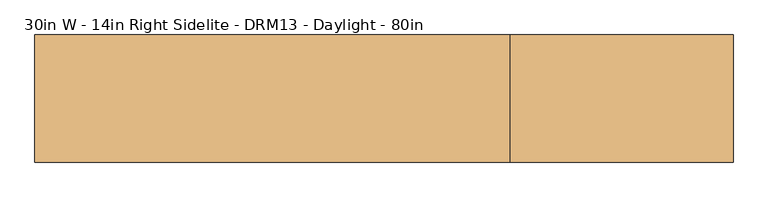
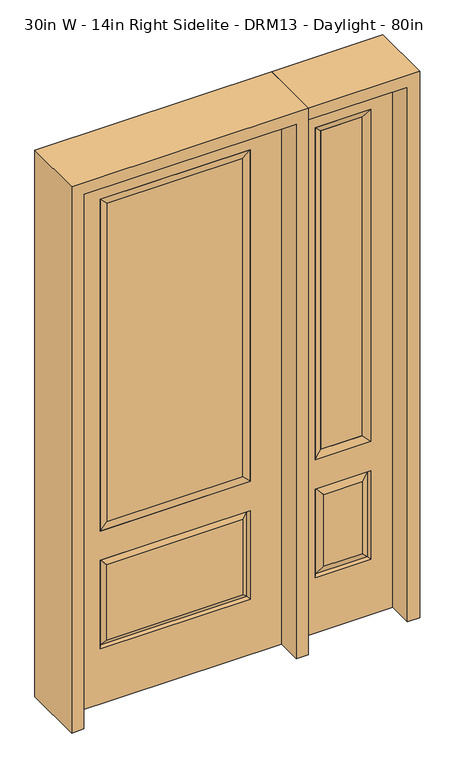
"""IFC4 building model written with IfcOpenShell, lengths in millimetres: door geometry, 30in W - 14in Right Sidelite - DRM13 - Daylight - 80in."""

from ifc_helpers import new_model, si_unit, frame, origin, place, context, project, spatial, polyline, outline, extrude, faceted_brep, source, transform, mapped, element, save


def door_30in_w_14in_right_sidelite_drm13_daylight_80in_cca7b35c(model_context):
    return source(origin(), model_context, "Body", "SolidModel", [
        faceted_brep([(425.45, -22.225, 0.0), (781.05, -22.225, 0.0), (781.05, -22.225, 2032.0), (425.45, -22.225, 2032.0), (703.58, -22.225, 1919.224), (703.58, -22.225, 657.098), (502.92, -22.225, 657.098), (502.92, -22.225, 1919.224), (703.58, -22.225, 209.55), (502.92, -22.225, 209.55), (502.92, -22.225, 546.1), (703.58, -22.225, 546.1), (534.6351001, -22.225, 241.2651001), (671.8648999, -22.225, 241.2651001), (671.8648999, -22.225, 514.3848999), (534.6351001, -22.225, 514.3848999), (425.45, 22.225, 0.0), (425.45, 22.225, 2032.0), (781.05, 22.225, 2032.0), (781.05, 22.225, 0.0), (703.58, 22.225, 1919.224), (502.92, 22.225, 1919.224), (502.92, 22.225, 657.098), (703.58, 22.225, 657.098), (502.92, 22.225, 209.55), (703.58, 22.225, 209.55), (703.58, 22.225, 546.1), (502.92, 22.225, 546.1), (671.8648999, 22.225, 241.2651001), (534.6351001, 22.225, 241.2651001), (534.6351001, 22.225, 514.3848999), (671.8648999, 22.225, 514.3848999), (696.4711499, 12.7912373, 216.6588501), (510.0288501, 12.7912373, 216.6588501), (510.0288501, 12.7912373, 538.9911499), (696.4711499, 12.7912373, 538.9911499), (510.0288501, -12.7912373, 216.6588501), (696.4711499, -12.7912373, 216.6588501), (510.0288501, -12.7912373, 538.9911499), (696.4711499, -12.7912373, 538.9911499)], [[[0, 1, 2, 3], [4, 5, 6, 7], [8, 9, 10, 11]], [[12, 13, 14, 15]], [[16, 17, 18, 19], [20, 21, 22, 23], [24, 25, 26, 27]], [[28, 29, 30, 31]], [[1, 0, 16, 19]], [[2, 1, 19, 18]], [[3, 2, 18, 17]], [[0, 3, 17, 16]], [[5, 4, 20, 23]], [[6, 5, 23, 22]], [[7, 6, 22, 21]], [[4, 7, 21, 20]], [[32, 33, 29, 28]], [[33, 32, 25, 24]], [[29, 33, 34, 30]], [[33, 24, 27, 34]], [[30, 34, 35, 31]], [[34, 27, 26, 35]], [[32, 28, 31, 35]], [[25, 32, 35, 26]], [[12, 36, 37, 13]], [[37, 36, 9, 8]], [[36, 12, 15, 38]], [[9, 36, 38, 10]], [[38, 15, 14, 39]], [[10, 38, 39, 11]], [[13, 37, 39, 14]], [[37, 8, 11, 39]]]),
        faceted_brep([(502.92, 22.225, 1919.224), (502.92, -22.225, 1919.224), (703.58, -22.225, 1919.224), (703.58, 22.225, 1919.224), (528.32, 12.7, 1893.824), (678.18, 12.7, 1893.824), (528.32, -12.7, 1893.824), (678.18, -12.7, 1893.824), (703.58, -22.225, 657.098), (703.58, 22.225, 657.098), (678.18, 12.7, 682.498), (678.18, -12.7, 682.498), (502.92, -22.225, 657.098), (502.92, 22.225, 657.098), (528.32, 12.7, 682.498), (528.32, -12.7, 682.498)], [[[0, 1, 2, 3]], [[4, 0, 3, 5]], [[6, 4, 5, 7]], [[1, 6, 7, 2]], [[3, 2, 8, 9]], [[5, 3, 9, 10]], [[7, 5, 10, 11]], [[2, 7, 11, 8]], [[9, 8, 12, 13]], [[10, 9, 13, 14]], [[11, 10, 14, 15]], [[8, 11, 15, 12]], [[13, 12, 1, 0]], [[14, 13, 0, 4]], [[15, 14, 4, 6]], [[12, 15, 6, 1]]]),
        extrude(outline(polyline([(678.18, -12.7), (528.32, -12.7), (528.32, 12.7), (678.18, 12.7), (678.18, -12.7)])), frame((0.0, 0.0, 682.498), z_axis=(0.0, 0.0, 1.0), x_axis=(1.0, 0.0, 0.0)), (0.0, 0.0, 1.0), 1211.326),
        faceted_brep([(-262.7661499, -12.7912373, 216.6588501), (262.7661499, -12.7912373, 216.6588501), (245.26875, -22.225, 234.15625), (-245.26875, -22.225, 234.15625), (-269.875, -22.225, 209.55), (269.875, -22.225, 209.55), (-262.7661499, -12.7912373, 538.9911499), (-269.875, -22.225, 546.1), (245.26875, -22.225, 521.49375), (-245.26875, -22.225, 521.49375), (381.0, -22.225, 2032.0), (-381.0, -22.225, 2032.0), (-381.0, -22.225, 0.0), (381.0, -22.225, 0.0), (269.875, -22.225, 546.1), (269.875, -22.225, 1917.7), (269.875, -22.225, 657.098), (-269.875, -22.225, 657.098), (-269.875, -22.225, 1917.7), (262.7661499, -12.7912373, 538.9911499), (-381.0, 22.225, 2032.0), (-381.0, 22.225, 0.0), (381.0, 22.225, 0.0), (381.0, 22.225, 2032.0), (269.875, 22.225, 1917.7), (269.875, 22.225, 657.098), (-269.875, 22.225, 657.098), (-269.875, 22.225, 1917.7), (-269.875, 22.225, 209.55), (269.875, 22.225, 209.55), (269.875, 22.225, 546.1), (-269.875, 22.225, 546.1), (245.26875, 22.225, 234.15625), (-245.26875, 22.225, 234.15625), (-245.26875, 22.225, 521.49375), (245.26875, 22.225, 521.49375), (-262.7661499, 12.7912373, 216.6588501), (262.7661499, 12.7912373, 216.6588501), (262.7661499, 12.7912373, 538.9911499), (-262.7661499, 12.7912373, 538.9911499)], [[[0, 1, 2, 3]], [[1, 0, 4, 5]], [[4, 0, 6, 7]], [[3, 2, 8, 9]], [[10, 11, 12, 13], [5, 4, 7, 14], [15, 16, 17, 18]], [[1, 5, 14, 19]], [[2, 1, 19, 8]], [[0, 3, 9, 6]], [[7, 6, 19, 14]], [[6, 9, 8, 19]], [[12, 11, 20, 21]], [[13, 12, 21, 22]], [[10, 13, 22, 23]], [[16, 15, 24, 25]], [[17, 16, 25, 26]], [[18, 17, 26, 27]], [[23, 22, 21, 20], [28, 29, 30, 31], [24, 27, 26, 25]], [[32, 33, 34, 35]], [[28, 36, 37, 29]], [[29, 37, 38, 30]], [[39, 31, 30, 38]], [[36, 28, 31, 39]], [[37, 36, 33, 32]], [[33, 36, 39, 34]], [[34, 39, 38, 35]], [[37, 32, 35, 38]], [[11, 10, 23, 20]], [[15, 18, 27, 24]]]),
        faceted_brep([(-269.875, -22.225, 1917.7), (-269.875, 22.225, 1917.7), (-269.875, 22.225, 657.098), (-269.875, -22.225, 657.098), (269.875, 22.225, 657.098), (269.875, -22.225, 657.098), (-244.475, 5.08, 682.498), (244.475, 5.08, 682.498), (269.875, 22.225, 1917.7), (269.875, -22.225, 1917.7), (-244.475, -20.32, 682.498), (244.475, -20.32, 682.498), (-244.475, -20.32, 1892.3), (244.475, -20.32, 1892.3), (-244.475, 5.08, 1892.3), (244.475, 5.08, 1892.3)], [[[0, 1, 2, 3]], [[3, 2, 4, 5]], [[2, 6, 7, 4]], [[5, 4, 8, 9]], [[10, 3, 5, 11]], [[12, 0, 3, 10]], [[11, 5, 9, 13]], [[6, 10, 11, 7]], [[14, 12, 10, 6]], [[7, 11, 13, 15]], [[1, 14, 6, 2]], [[4, 7, 15, 8]], [[9, 8, 1, 0]], [[13, 9, 0, 12]], [[15, 13, 12, 14]], [[8, 15, 14, 1]]]),
        extrude(outline(polyline([(244.475, -20.32), (-244.475, -20.32), (-244.475, 5.08), (244.475, 5.08), (244.475, -20.32)])), frame((0.0, 0.0, 682.498), z_axis=(0.0, 0.0, 1.0), x_axis=(1.0, 0.0, 0.0)), (0.0, 0.0, 1.0), 1209.802),
        extrude(outline(polyline([(2076.45, -425.45), (0.0, -425.45), (0.0, -381.0), (2032.0, -381.0), (2032.0, 381.0), (0.0, 381.0), (0.0, 425.45), (2076.45, 425.45), (2076.45, -425.45)])), frame((0.0, -114.3, 0.0), z_axis=(0.0, 1.0, 0.0), x_axis=(0.0, 0.0, 1.0)), (0.0, 0.0, 1.0), 228.6),
        extrude(outline(polyline([(0.0, 781.05), (0.0, 825.5), (2076.45, 825.5), (2076.45, 425.45), (2032.0, 425.45), (2032.0, 781.05), (0.0, 781.05)])), frame((0.0, -114.3, 0.0), z_axis=(0.0, 1.0, 0.0), x_axis=(0.0, 0.0, 1.0)), (0.0, 0.0, 1.0), 228.6),
    ])


if __name__ == "__main__":
    model = new_model("IFC4")
    model_context = context("Model", 3, world=origin())
    ifc_project = project(units=[si_unit("LENGTHUNIT", "METRE", prefix="MILLI")], contexts=[model_context])
    site = spatial("IfcSite", under=ifc_project)
    building = spatial("IfcBuilding", under=site)
    placement = place(None, origin())
    door_30in_w_14in_right_sidelite_drm13_daylight_80in_shape = door_30in_w_14in_right_sidelite_drm13_daylight_80in_cca7b35c(model_context)
    element("IfcDoor", 1, ObjectType="30in W - 14in Right Sidelite - DRM13 - Daylight - 80in", at=placement, inside=building, context=model_context, shape_type="MappedRepresentation", body=[
        mapped(door_30in_w_14in_right_sidelite_drm13_daylight_80in_shape, transform((0.0, 0.0, 0.0), x_axis=(1.0, 0.0, 0.0), y_axis=(0.0, 1.0, 0.0), z_axis=(0.0, 0.0, 1.0))),
    ])
    save(model, "model.ifc")
